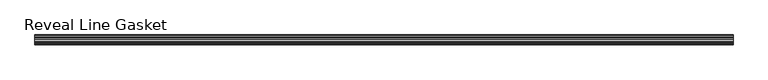
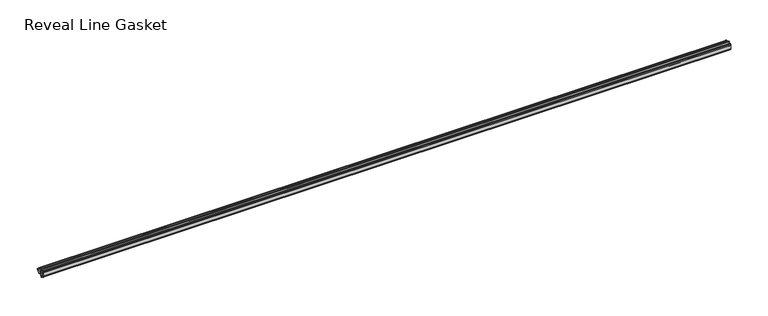
"""IFC4 building model written with IfcOpenShell, lengths in millimetres: furniture geometry, Reveal Line Gasket."""

from ifc_helpers import new_model, si_unit, point, frame, frame_2d, origin, place, context, project, spatial, polyline, circle_curve, trimmed, segment, composite_curve, outline, extrude, source, transform, mapped, element, save


def reveal_line_gasket_65a4539e(model_context):
    return source(origin(), model_context, "Body", "SweptSolid", [
        extrude(outline(composite_curve([segment(polyline([(-7.6326998, 1603.2), (-7.4091917, 1604.1554927), (-6.8813059, 1605.0884684)]), True, "CONTINUOUS"), segment(trimmed(circle_curve(frame_2d((-6.5243141, 1604.8864793)), 0.4101739), [point((-6.8813059, 1605.0884684))], [point((-6.1246704, 1604.7941347))], False, "CARTESIAN"), True, "CONTINUOUS"), segment(polyline([(-6.1246704, 1604.7941347), (-6.3626997, 1603.0979086), (-6.3626997, 1601.0654527)]), True, "CONTINUOUS"), segment(trimmed(circle_curve(frame_2d((-5.6959605, 1601.4819258)), 0.786124), [point((-6.3626997, 1601.0654527))], [point((-5.0926996, 1600.977875))], True, "CARTESIAN"), True, "CONTINUOUS"), segment(polyline([(-5.0926996, 1600.977875), (-0.7492996, 1600.977875), (-3.7293824, 1606.1395295)]), True, "CONTINUOUS"), segment(trimmed(circle_curve(frame_2d((-3.3132479, 1606.2049761)), 0.4212495), [point((-3.7293824, 1606.1395295))], [point((-3.0485022, 1606.5326358))], False, "CARTESIAN"), True, "CONTINUOUS"), segment(polyline([(-3.0485022, 1606.5326358), (0.5742594, 1600.977875), (4.8262978, 1600.977875), (3.1660374, 1603.8535297)]), True, "CONTINUOUS"), segment(trimmed(circle_curve(frame_2d((3.5978728, 1603.9118855)), 0.4357605), [point((3.1660374, 1603.8535297))], [point((3.864328, 1604.2566881))], False, "CARTESIAN"), True, "CONTINUOUS"), segment(polyline([(3.864328, 1604.2566881), (6.1944059, 1600.977875), (7.6326998, 1600.977875), (7.6326998, 1599.422125), (6.1944059, 1599.422125), (3.864328, 1596.1433119)]), True, "CONTINUOUS"), segment(trimmed(circle_curve(frame_2d((3.5978728, 1596.4881145)), 0.4357605), [point((3.864328, 1596.1433119))], [point((3.1660374, 1596.5464703))], False, "CARTESIAN"), True, "CONTINUOUS"), segment(polyline([(3.1660374, 1596.5464703), (4.8262978, 1599.422125), (0.5742594, 1599.422125), (-3.0485022, 1593.8673642)]), True, "CONTINUOUS"), segment(trimmed(circle_curve(frame_2d((-3.3132479, 1594.1950239)), 0.4212495), [point((-3.0485022, 1593.8673642))], [point((-3.7293824, 1594.2604705))], False, "CARTESIAN"), True, "CONTINUOUS"), segment(polyline([(-3.7293824, 1594.2604705), (-0.7492996, 1599.422125), (-5.0926996, 1599.422125)]), True, "CONTINUOUS"), segment(trimmed(circle_curve(frame_2d((-5.6959605, 1598.9180742)), 0.786124), [point((-5.0926996, 1599.422125))], [point((-6.3626997, 1599.3345473))], True, "CARTESIAN"), True, "CONTINUOUS"), segment(polyline([(-6.3626997, 1599.3345473), (-6.3626997, 1597.3020914), (-6.1246704, 1595.6058653)]), True, "CONTINUOUS"), segment(trimmed(circle_curve(frame_2d((-6.5243141, 1595.5135207)), 0.4101739), [point((-6.1246704, 1595.6058653))], [point((-6.8813059, 1595.3115316))], False, "CARTESIAN"), True, "CONTINUOUS"), segment(polyline([(-6.8813059, 1595.3115316), (-7.4091917, 1596.2445073), (-7.6326998, 1597.2), (-7.6326998, 1603.2)]), True, "CONTINUOUS")], self_intersect=False)), frame((-531.5249999, 0.0, 0.0), z_axis=(1.0, 0.0, 0.0), x_axis=(0.0, 1.0, 0.0)), (0.0, 0.0, 1.0), 1063.0499999),
    ])


if __name__ == "__main__":
    model = new_model("IFC4")
    model_context = context("Model", 3, world=origin())
    ifc_project = project(units=[si_unit("LENGTHUNIT", "METRE", prefix="MILLI")], contexts=[model_context])
    site = spatial("IfcSite", under=ifc_project)
    building = spatial("IfcBuilding", under=site)
    placement = place(None, origin())
    reveal_line_gasket_shape = reveal_line_gasket_65a4539e(model_context)
    element("IfcFurniture", 1, ObjectType="Reveal Line Gasket", at=placement, inside=building, context=model_context, shape_type="MappedRepresentation", body=[
        mapped(reveal_line_gasket_shape, transform((0.0, 0.0, 0.0), x_axis=(1.0, 0.0, 0.0), y_axis=(0.0, 1.0, 0.0), z_axis=(0.0, 0.0, 1.0))),
    ])
    save(model, "model.ifc")
